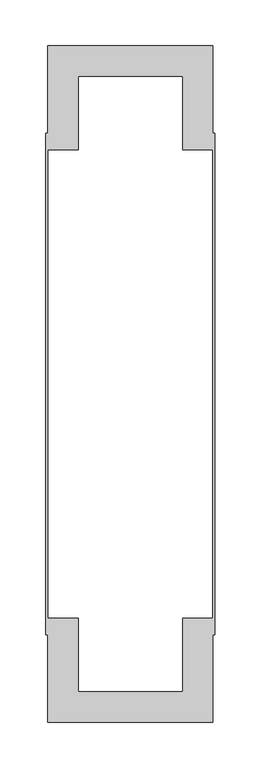
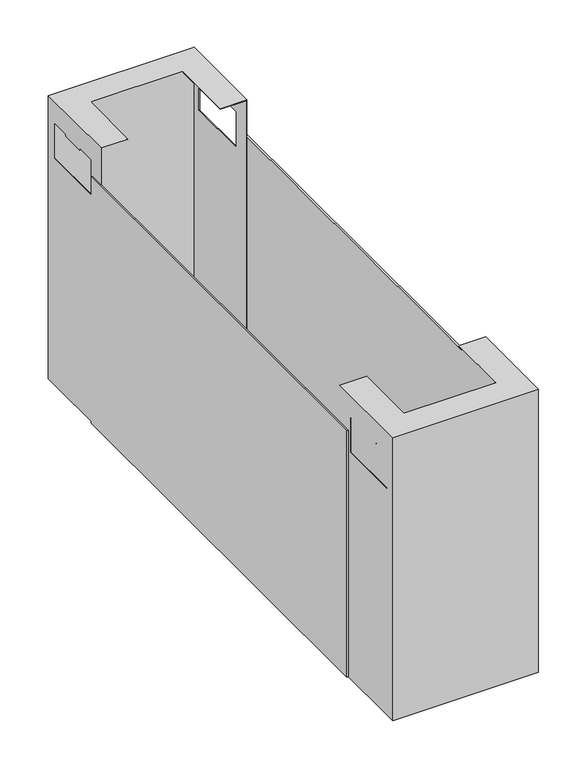
"""IFC4 building model written with IfcOpenShell, lengths in millimetres: furniture geometry."""

from ifc_helpers import new_model, si_unit, origin, place, context, project, spatial, triangles, source, transform, mapped, element, save


def furniture_8ef8ceee(model_context):
    return source(origin(), model_context, "Body", "Tessellation", [
        triangles([(12.1151363, 9118.0881921, 442.1000133), (-166.0848696, 9118.0881921, 442.1000133), (12.1151363, 9118.0881921, 73.0), (-166.0848696, 9118.0881921, 73.0), (-166.9848692, 9118.9881372, 442.9999947), (-133.9848668, 9085.9884073, 442.9999947), (13.0151358, 9118.9881372, 442.9999947), (-19.9848666, 9085.9884073, 442.9999947), (13.0151358, 9005.9880578, 442.9999947), (-19.9848666, 9005.9880578, 442.9999947), (-166.9848692, 9005.9880578, 442.9999947), (-133.9848668, 9005.9880578, 442.9999947), (-166.9848692, 9118.9881372, 73.0), (13.0151358, 9118.9881372, 73.0), (-166.0848696, 9027.5879022, 368.3000121), (-166.0848696, 9106.9882883, 368.3000121), (-166.0848696, 9106.9882883, 414.7000142), (-166.0848696, 9082.2880517, 414.7000142), (-166.0848696, 9052.2881387, 414.7000142), (-166.0848696, 9082.2880517, 412.1999851), (-166.0848696, 9052.2881387, 412.1999851), (-166.0848696, 9027.5879022, 414.7000142), (-166.0848696, 9005.9880578, 442.1000133), (-166.0848696, 9005.9880578, 73.0), (13.0151358, 9027.5879022, 414.7000142), (13.0151358, 9027.5879022, 368.3000121), (13.0151358, 9005.9880578, 73.0), (13.0151358, 9052.2881387, 414.7000142), (13.0151358, 9082.2880517, 414.7000142), (13.0151358, 9106.9882883, 414.7000142), (13.0151358, 9052.2881387, 412.1999851), (13.0151358, 9082.2880517, 412.1999851), (13.0151358, 9106.9882883, 368.3000121), (-133.9848668, 9085.9884073, 442.1000133), (-19.9848666, 9085.9884073, 442.1000133), (12.1151363, 9005.9880578, 442.1000133), (-19.9848666, 9005.9880578, 442.1000133), (-133.9848668, 9005.9880578, 442.1000133), (-166.9848692, 9106.9882883, 368.3000121), (-166.9848692, 9106.9882883, 414.7000142), (-166.9848692, 9082.2880517, 414.7000142), (-166.9848692, 9027.5879022, 368.3000121), (-166.9848692, 9005.9880578, 73.0), (-166.9848692, 9052.2881387, 414.7000142), (-166.9848692, 9027.5879022, 414.7000142), (-166.9848692, 9082.2880517, 412.1999851), (-166.9848692, 9052.2881387, 412.1999851), (12.1151363, 9106.9882883, 368.3000121), (12.1151363, 9106.9882883, 414.7000142), (12.1151363, 9082.2880517, 414.7000142), (12.1151363, 9027.5879022, 368.3000121), (12.1151363, 9005.9880578, 73.0), (12.1151363, 9052.2881387, 414.7000142), (12.1151363, 9027.5879022, 414.7000142), (12.1151363, 9082.2880517, 412.1999851), (12.1151363, 9052.2881387, 412.1999851), (15.1151348, 9023.938125, 73.0), (13.0151358, 9023.938125, 73.0), (15.1151348, 9023.938125, 395.0000175), (13.0151358, 9023.938125, 395.0000175), (15.1151348, 8477.0383676, 73.0), (15.1151348, 8477.0383676, 395.0000175), (13.0151358, 8477.0383676, 73.0), (13.0151358, 8477.0383676, 395.0000175), (-166.9848692, 9023.938125, 73.0), (-169.0848682, 9023.938125, 73.0), (-166.9848692, 9023.938125, 395.0000175), (-169.0848682, 9023.938125, 395.0000175), (-166.9848692, 8477.0383676, 73.0), (-166.9848692, 8477.0383676, 395.0000175), (-169.0848682, 8477.0383676, 73.0), (-169.0848682, 8477.0383676, 395.0000175), (-166.0848696, 8382.8883005, 442.1000133), (12.1151363, 8382.8883005, 442.1000133), (-166.0848696, 8382.8883005, 73.0), (12.1151363, 8382.8883005, 73.0), (-166.9848692, 8494.9884347, 442.9999947), (-166.9848692, 8381.9883554, 442.9999947), (-133.9848668, 8414.9880853, 442.9999947), (13.0151358, 8381.9883554, 442.9999947), (-19.9848666, 8414.9880853, 442.9999947), (13.0151358, 8494.9884347, 442.9999947), (-19.9848666, 8494.9884347, 442.9999947), (-133.9848668, 8494.9884347, 442.9999947), (13.0151358, 8381.9883554, 73.0), (-166.9848692, 8381.9883554, 73.0), (-166.0848696, 8393.9882043, 368.3000121), (-166.0848696, 8473.388009, 368.3000121), (-166.0848696, 8494.9884347, 73.0), (-166.0848696, 8494.9884347, 442.1000133), (-166.0848696, 8393.9882043, 414.7000142), (-166.0848696, 8418.6884408, 414.7000142), (-166.0848696, 8418.6884408, 412.1999851), (-166.0848696, 8448.6883539, 412.1999851), (-166.0848696, 8448.6883539, 414.7000142), (-166.0848696, 8473.388009, 414.7000142), (13.0151358, 8448.6883539, 414.7000142), (13.0151358, 8473.388009, 414.7000142), (13.0151358, 8473.388009, 368.3000121), (13.0151358, 8494.9884347, 73.0), (13.0151358, 8393.9882043, 368.3000121), (13.0151358, 8393.9882043, 414.7000142), (13.0151358, 8418.6884408, 414.7000142), (13.0151358, 8418.6884408, 412.1999851), (13.0151358, 8448.6883539, 412.1999851), (-133.9848668, 8414.9880853, 442.1000133), (-19.9848666, 8414.9880853, 442.1000133), (12.1151363, 8494.9884347, 442.1000133), (-19.9848666, 8494.9884347, 442.1000133), (-133.9848668, 8494.9884347, 442.1000133), (-166.9848692, 8393.9882043, 368.3000121), (-166.9848692, 8473.388009, 368.3000121), (-166.9848692, 8494.9884347, 73.0), (-166.9848692, 8473.388009, 414.7000142), (-166.9848692, 8448.6883539, 414.7000142), (-166.9848692, 8418.6884408, 414.7000142), (-166.9848692, 8393.9882043, 414.7000142), (-166.9848692, 8448.6883539, 412.1999851), (-166.9848692, 8418.6884408, 412.1999851), (12.1151363, 8393.9882043, 368.3000121), (12.1151363, 8473.388009, 368.3000121), (12.1151363, 8494.9884347, 73.0), (12.1151363, 8473.388009, 414.7000142), (12.1151363, 8448.6883539, 414.7000142), (12.1151363, 8418.6884408, 414.7000142), (12.1151363, 8393.9882043, 414.7000142), (12.1151363, 8448.6883539, 412.1999851), (12.1151363, 8418.6884408, 412.1999851)], [[1, 2, 3], [3, 2, 4], [5, 6, 7], [7, 6, 8], [7, 8, 9], [9, 8, 10], [5, 11, 6], [6, 11, 12], [5, 7, 13], [13, 7, 14], [15, 4, 16], [2, 16, 4], [16, 2, 17], [18, 17, 2], [19, 18, 2], [18, 19, 20], [20, 19, 21], [15, 22, 23], [24, 15, 23], [15, 24, 4], [23, 22, 19], [23, 19, 2], [26, 25, 9], [27, 26, 9], [26, 27, 14], [9, 25, 28], [9, 28, 7], [7, 28, 29], [7, 29, 30], [31, 32, 28], [28, 32, 29], [7, 30, 33], [7, 33, 14], [14, 33, 26], [23, 2, 34], [1, 34, 2], [34, 1, 35], [36, 35, 1], [35, 36, 37], [34, 38, 23], [34, 35, 6], [6, 35, 8], [6, 12, 34], [34, 12, 38], [13, 39, 5], [5, 39, 40], [5, 40, 41], [42, 39, 13], [42, 13, 43], [11, 42, 43], [5, 44, 11], [11, 44, 45], [11, 45, 42], [46, 47, 41], [41, 47, 44], [5, 41, 44], [35, 37, 8], [8, 37, 10], [3, 48, 1], [1, 48, 49], [1, 49, 50], [51, 48, 3], [51, 3, 52], [36, 51, 52], [1, 53, 36], [36, 53, 54], [36, 54, 51], [55, 56, 50], [50, 56, 53], [1, 50, 53], [25, 26, 54], [54, 26, 51], [26, 33, 51], [51, 33, 48], [33, 30, 48], [48, 30, 49], [55, 50, 32], [32, 50, 29], [32, 31, 55], [55, 31, 56], [30, 29, 49], [49, 29, 50], [28, 25, 53], [53, 25, 54], [31, 28, 56], [56, 28, 53], [39, 42, 16], [16, 42, 15], [42, 45, 15], [15, 45, 22], [40, 39, 17], [17, 39, 16], [20, 21, 46], [46, 21, 47], [46, 41, 20], [20, 41, 18], [41, 40, 18], [18, 40, 17], [21, 19, 47], [47, 19, 44], [45, 44, 22], [22, 44, 19], [38, 12, 23], [11, 23, 12], [43, 23, 11], [43, 24, 23], [24, 43, 4], [13, 4, 43], [14, 4, 13], [4, 14, 3], [27, 3, 14], [3, 27, 52], [52, 27, 36], [9, 36, 27], [10, 36, 9], [10, 37, 36], [57, 58, 59], [59, 58, 60], [61, 57, 62], [62, 57, 59], [63, 61, 64], [64, 61, 62], [58, 63, 60], [60, 63, 64], [64, 62, 60], [60, 62, 59], [58, 57, 63], [63, 57, 61], [65, 66, 67], [67, 66, 68], [69, 65, 70], [70, 65, 67], [71, 69, 72], [72, 69, 70], [66, 71, 68], [68, 71, 72], [72, 70, 68], [68, 70, 67], [66, 65, 71], [71, 65, 69], [73, 74, 75], [75, 74, 76], [77, 78, 79], [80, 79, 78], [79, 80, 81], [82, 81, 80], [81, 82, 83], [79, 84, 77], [80, 78, 85], [85, 78, 86], [88, 87, 75], [88, 75, 89], [90, 88, 89], [75, 87, 73], [73, 87, 91], [73, 91, 92], [93, 94, 92], [92, 94, 95], [73, 92, 95], [73, 95, 90], [90, 95, 96], [90, 96, 88], [97, 98, 82], [82, 98, 99], [82, 99, 100], [100, 99, 85], [85, 99, 101], [85, 101, 80], [80, 101, 102], [80, 102, 103], [104, 105, 103], [103, 105, 97], [80, 103, 97], [80, 97, 82], [73, 106, 74], [74, 106, 107], [74, 107, 108], [108, 107, 109], [73, 90, 106], [106, 90, 110], [79, 81, 106], [106, 81, 107], [106, 110, 79], [79, 110, 84], [78, 111, 86], [86, 111, 112], [86, 112, 113], [113, 112, 77], [77, 112, 114], [77, 114, 115], [77, 115, 78], [78, 115, 116], [78, 116, 117], [118, 119, 115], [115, 119, 116], [78, 117, 111], [109, 107, 83], [83, 107, 81], [74, 120, 76], [76, 120, 121], [76, 121, 122], [122, 121, 108], [108, 121, 123], [108, 123, 124], [108, 124, 74], [74, 124, 125], [74, 125, 126], [127, 128, 124], [124, 128, 125], [74, 126, 120], [99, 98, 121], [121, 98, 123], [101, 99, 120], [120, 99, 121], [102, 101, 126], [126, 101, 120], [125, 128, 103], [103, 128, 104], [128, 127, 104], [104, 127, 105], [103, 102, 125], [125, 102, 126], [98, 97, 123], [123, 97, 124], [97, 105, 124], [124, 105, 127], [112, 111, 88], [88, 111, 87], [114, 112, 96], [96, 112, 88], [111, 117, 87], [87, 117, 91], [94, 93, 118], [118, 93, 119], [93, 92, 119], [119, 92, 116], [117, 116, 91], [91, 116, 92], [95, 94, 115], [115, 94, 118], [115, 114, 95], [95, 114, 96], [113, 77, 90], [84, 90, 77], [90, 84, 110], [90, 89, 113], [85, 86, 75], [113, 75, 86], [75, 113, 89], [75, 76, 85], [85, 76, 100], [100, 76, 122], [83, 82, 108], [100, 108, 82], [108, 100, 122], [108, 109, 83]]),
    ])


if __name__ == "__main__":
    model = new_model("IFC4")
    model_context = context("Model", 3, world=origin())
    ifc_project = project(units=[si_unit("LENGTHUNIT", "METRE", prefix="MILLI")], contexts=[model_context])
    site = spatial("IfcSite", under=ifc_project)
    building = spatial("IfcBuilding", under=site)
    placement = place(None, origin())
    furniture_shape = furniture_8ef8ceee(model_context)
    element("IfcFurniture", 1, at=placement, inside=building, context=model_context, shape_type="MappedRepresentation", body=[
        mapped(furniture_shape, transform((0.0, 0.0, 0.0), x_axis=(1.0, 0.0, 0.0), y_axis=(0.0, 1.0, 0.0), z_axis=(0.0, 0.0, 1.0))),
    ])
    save(model, "model.ifc")
